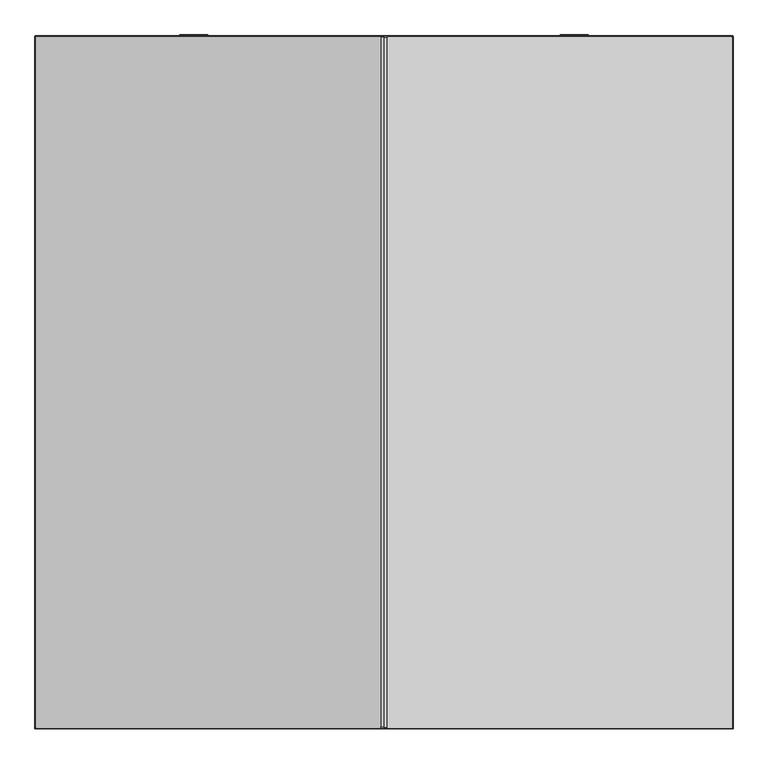
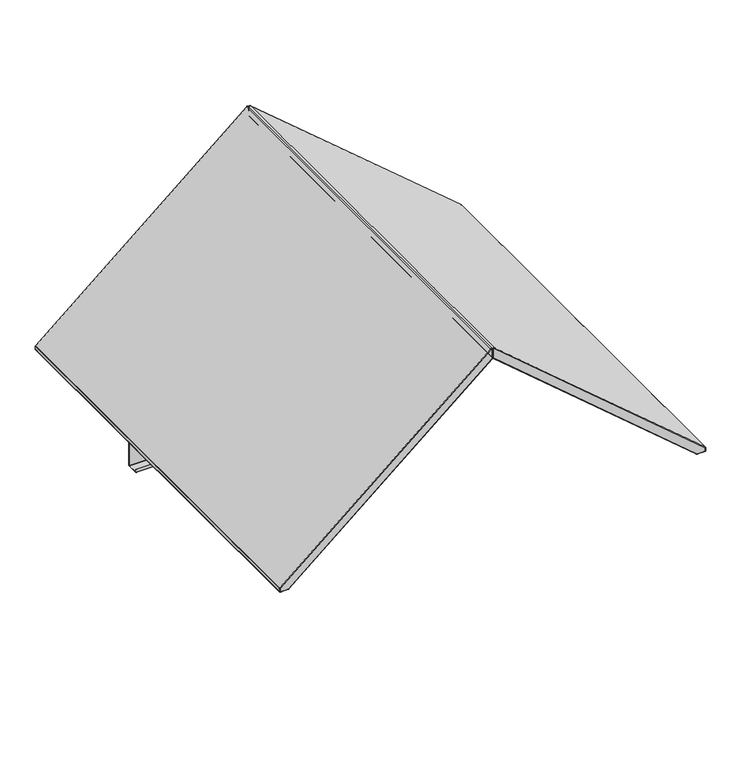
"""IFC4 building model written with IfcOpenShell, lengths in millimetres: furniture geometry."""

from ifc_helpers import new_model, si_unit, point, frame, frame_2d, origin, place, context, project, spatial, polyline, circle_curve, ellipse_curve, trimmed, segment, composite_curve, outline, extrude, source, transform, mapped, element, save
from ifc_brep_helpers import plane_surface, cylinder_surface, revolved_surface, advanced_brep


def furniture_bb8902bb(model_context):
    return source(origin(), model_context, "Body", "SolidModel", [
        extrude(outline(composite_curve([segment(polyline([(-36.4707599, 0.0), (3.678289, 0.0), (3.678289, -1.4997449), (-37.4999996, -1.4997449), (-37.4999996, -40.0002693), (-38.9999996, -40.0002693), (-38.9999996, -2.5292398)]), True, "CONTINUOUS"), segment(trimmed(circle_curve(frame_2d((-36.4707599, -2.5292398)), 2.5292397), [point((-38.9999996, -2.5292398))], [point((-36.4707599, 0.0))], False, "CARTESIAN"), True, "CONTINUOUS")], self_intersect=False)), frame((1490.9670326, -38.9999996, 1663.236993), z_axis=(-0.7626676388941575, 0.0, 0.6467905940747832), x_axis=(0.0, -1.0, 0.0)), (0.0, 0.0, 1.0), 65.5591678),
        advanced_brep(
        [(1490.0000404, -95.6782875, 821.5000019), (1490.0000404, -95.6782875, 809.0011499), (1490.0000404, -93.177183, 806.5000454), (1490.0000404, -45.1482143, 806.5000454), (1490.0000404, -42.6782886, 808.9699711), (1490.0000404, -42.6782886, 1662.0972421), (1490.0000404, -44.178285, 1662.0972421), (1490.0000404, -44.178285, 808.9990848), (1490.0000404, -45.1791015, 808.0000265), (1490.0000404, -93.2107923, 808.0000265), (1490.0000404, -94.1782792, 808.9675133), (1490.0000404, -94.1782792, 821.5000019), (390.000335, -95.6782875, 821.5000019), (390.000335, -94.1782792, 821.5000019), (390.000335, -94.1782792, 808.9675133), (390.000335, -93.2107923, 808.0000265), (390.000335, -45.1791015, 808.0000265), (390.000335, -44.178285, 808.9990848), (390.000335, -44.178285, 1662.0972421), (390.000335, -42.6782886, 1662.0972421), (390.000335, -42.6782886, 808.9699711), (390.000335, -45.1482143, 806.5000454), (390.000335, -93.177183, 806.5000454), (390.000335, -95.6782875, 809.0011499), (442.8367114, -42.6782886, 1706.4322261), (1437.163664, -42.6782886, 1706.4322261), (1437.163664, -44.178285, 1706.4322261), (442.8367114, -44.178285, 1706.4322261)],
        [
            (0, 1),
            (1, 2, circle_curve(frame((1490.0000404, -93.177183, 809.0011499), z_axis=(1.0, 0.0, 0.0), x_axis=(0.0, -1.0, 0.0)), 2.5011045)),
            (2, 3),
            (3, 4, circle_curve(frame((1490.0000404, -45.1482143, 808.9699711), z_axis=(1.0, 0.0, 0.0), x_axis=(0.0, -1.0, 0.0)), 2.4699257)),
            (4, 5),
            (5, 6),
            (6, 7),
            (7, 8, circle_curve(frame((1490.0000404, -45.1791015, 809.0008445), z_axis=(-1.0, 0.0, 0.0), x_axis=(0.0, -1.0, 0.0)), 1.000818)),
            (8, 9),
            (9, 10, circle_curve(frame((1490.0000404, -93.2107923, 808.9675133), z_axis=(-1.0, 0.0, 0.0), x_axis=(0.0, -1.0, 0.0)), 0.9674868)),
            (10, 11),
            (11, 0),
            (12, 13),
            (13, 14),
            (14, 15, circle_curve(frame((390.000335, -93.2107923, 808.9675133), z_axis=(1.0, 0.0, 0.0), x_axis=(0.0, -1.0, 0.0)), 0.9674868)),
            (15, 16),
            (16, 17, circle_curve(frame((390.000335, -45.1791015, 809.0008445), z_axis=(1.0, 0.0, 0.0), x_axis=(0.0, -1.0, 0.0)), 1.000818)),
            (17, 18),
            (18, 19),
            (19, 20),
            (20, 21, circle_curve(frame((390.000335, -45.1482143, 808.9699711), z_axis=(-1.0, 0.0, 0.0), x_axis=(0.0, -1.0, 0.0)), 2.4699257)),
            (21, 22),
            (22, 23, circle_curve(frame((390.000335, -93.177183, 809.0011499), z_axis=(-1.0, 0.0, 0.0), x_axis=(0.0, -1.0, 0.0)), 2.5011045)),
            (23, 12),
            (0, 12),
            (23, 1),
            (22, 2),
            (21, 3),
            (20, 4),
            (19, 24),
            (24, 25),
            (25, 5),
            (6, 26),
            (26, 27),
            (27, 18),
            (17, 7),
            (16, 8),
            (15, 9),
            (14, 10),
            (13, 11),
            (25, 26),
            (24, 27),
        ],
        [
            plane_surface(frame((1490.0000404, -95.6782875, 821.5000019), z_axis=(1.0, 0.0, 0.0), x_axis=(0.0, 0.0, -1.0))),
            plane_surface(frame((390.000335, -95.6782875, 821.5000019), z_axis=(-1.0, 0.0, 0.0), x_axis=(0.0, 0.0, 1.0))),
            plane_surface(frame((1490.0000404, -95.6782875, 821.5000019), z_axis=(0.0, -1.0, 0.0), x_axis=(-1.0, 0.0, 0.0))),
            cylinder_surface(frame((390.000335, -93.177183, 809.0011499), z_axis=(1.0, 0.0, 0.0), x_axis=(0.0, -1.0, 0.0)), 2.5011045),
            plane_surface(frame((1490.0000404, -93.177183, 806.5000454), z_axis=(0.0, 0.0, -1.0), x_axis=(-1.0, 0.0, 0.0))),
            cylinder_surface(frame((390.000335, -45.1482143, 808.9699711), z_axis=(1.0, 0.0, 0.0), x_axis=(0.0, -1.0, 0.0)), 2.4699257),
            plane_surface(frame((1490.0000404, -42.6782886, 808.9699711), z_axis=(0.0, 1.0, 0.0), x_axis=(-1.0, 0.0, 0.0))),
            plane_surface(frame((1490.0000404, -44.178285, 1582.3692085), z_axis=(0.0, -1.0, 0.0), x_axis=(-1.0, 0.0, 0.0))),
            revolved_surface(polyline([(390.000335, -46.179919500000004, 809.0008445), (1490.0000404, -46.179919500000004, 809.0008445)]), (390.000335, -45.1791015, 809.0008445), (-1.0, 0.0, 0.0)),
            plane_surface(frame((1490.0000404, -45.1791015, 808.0000265), z_axis=(0.0, 0.0, 1.0), x_axis=(-1.0, 0.0, 0.0))),
            revolved_surface(polyline([(390.000335, -94.1782791, 808.9675133), (1490.0000404, -94.1782791, 808.9675133)]), (390.000335, -93.2107923, 808.9675133), (-1.0, 0.0, 0.0)),
            plane_surface(frame((1490.0000404, -94.1782792, 808.9675133), z_axis=(0.0, 1.0, 0.0), x_axis=(-1.0, 0.0, 0.0))),
            plane_surface(frame((1490.0000404, -94.1782792, 821.5000019), z_axis=(0.0, 0.0, 1.0), x_axis=(-1.0, 0.0, 0.0))),
            plane_surface(frame((1490.0000404, -44.178285, 1662.0972421), z_axis=(0.6427876096865427, 0.0, 0.7660444431189752), x_axis=(0.0, 1.0, 0.0))),
            plane_surface(frame((1437.163664, -44.178285, 1706.4322261), z_axis=(0.0, 0.0, 1.0), x_axis=(0.0, 1.0, 0.0))),
            plane_surface(frame((442.8367114, -44.178285, 1706.4322261), z_axis=(-0.642787609686538, 0.0, 0.7660444431189791), x_axis=(0.0, 1.0, 0.0))),
        ],
        [
            (0, [[1, 2, 3, 4, 5, 6, 7, 8, 9, 10, 11, 12]]),
            (1, [[13, 14, 15, 16, 17, 18, 19, 20, 21, 22, 23, 24]]),
            (2, [[-1, 25, -24, 26]]),
            (3, [[-2, -26, -23, 27]]),
            (4, [[-3, -27, -22, 28]]),
            (5, [[-4, -28, -21, 29]]),
            (6, [[-5, -29, -20, 30, 31, 32]]),
            (7, [[-7, 33, 34, 35, -18, 36]]),
            (8, [[-8, -36, -17, 37]]),
            (9, [[-9, -37, -16, 38]]),
            (10, [[-10, -38, -15, 39]]),
            (11, [[-11, -39, -14, 40]]),
            (12, [[-12, -40, -13, -25]]),
            (13, [[-33, -6, -32, 41]]),
            (14, [[-34, -41, -31, 42]]),
            (15, [[-35, -42, -30, -19]]),
        ],
    ),
        extrude(outline(composite_curve([segment(trimmed(circle_curve(frame_2d((-1e-07, -2.5292397)), 2.5292397), [point((-0.8879249, -4.8974971))], [point((-2.3682574, -1.6413149))], False, "CARTESIAN"), True, "CONTINUOUS"), segment(polyline([(-2.3682574, -1.6413149), (10.7864699, 33.4447394), (12.1909971, 32.9181435), (-1.3251487, -3.1318798), (37.2322031, -17.5880921), (36.7056967, -18.9923805), (-0.8879249, -4.8974971)]), True, "CONTINUOUS")], self_intersect=False)), frame((392.2009979, -1.6413149, 1659.5018304), z_axis=(0.7626676388941576, 0.0, 0.6467905940747832), x_axis=(0.22706485489941639, -0.9363514881670969, -0.26774510691471115)), (0.0, 0.0, 1.0), 65.5591678),
        advanced_brep(
        [(1876.9546715, -2.2152498, 1478.4500314), (1877.9745516, -2.2152498, 1476.2476814), (1877.9745516, -2.2152498, 1463.9687321), (1876.0316254, -2.2152498, 1462.0258058), (1842.2267924, -2.2152498, 1462.0258058), (1839.6136683, -2.2152498, 1462.9847503), (943.2808232, -2.2152498, 2223.2240894), (942.026163, -2.2152498, 2225.9334278), (942.026163, -2.2152498, 2264.8850275), (947.0138488, -2.2152498, 2267.1947612), (1880.0003754, -4.2410736, 1476.2476814), (1878.2650479, -4.2410736, 1479.994983), (1878.2650479, -6.1839998, 1479.994983), (1880.0003754, -6.1839998, 1476.2476814), (1880.0003754, -1866.18391, 1476.2476814), (1880.0003754, -1868.1268362, 1476.2476814), (1880.0003754, -1868.1268362, 1463.9687321), (1880.0003754, -1866.18391, 1463.9687321), (1880.0003754, -6.1839998, 1463.9687321), (1880.0003754, -4.2410736, 1463.9687321), (1876.0316254, -6.1839998, 1459.9999821), (1876.0316254, -4.2410736, 1459.9999821), (1876.0316254, -1866.18391, 1459.9999821), (1876.0316254, -1868.1268362, 1459.9999821), (1842.2267924, -1868.1268362, 1459.9999821), (1842.2267924, -1866.18391, 1459.9999821), (1842.2267924, -6.1839998, 1459.9999821), (1842.2267924, -4.2410736, 1459.9999821), (1838.3032921, -6.1839998, 1461.4397984), (1838.3032921, -4.2410736, 1461.4397984), (1838.3032921, -1866.18391, 1461.4397984), (1838.3032921, -1868.1268362, 1461.4397984), (941.970447, -1868.1268362, 2221.6791375), (941.970447, -1866.18391, 2221.6791375), (941.970447, -6.1839998, 2221.6791375), (941.970447, -4.2410736, 2221.6791375), (940.0003392, -6.1839998, 2225.9334278), (940.0003392, -4.2410736, 2225.9334278), (940.0003392, -1866.18391, 2225.9334278), (940.0003392, -1868.1268362, 2225.9334278), (940.0003392, -1868.1268362, 2264.8850275), (940.0003392, -1866.18391, 2264.8850275), (940.0003392, -6.1839998, 2264.8850275), (940.0003392, -4.2410736, 2264.8850275), (948.3242252, -6.1839998, 2268.7397128), (948.3242252, -4.2410736, 2268.7397128), (948.3242252, -1866.18391, 2268.7397128), (948.3242252, -1868.1268362, 2268.7397128), (1878.2650479, -1868.1268362, 1479.994983), (1878.2650479, -1866.18391, 1479.994983), (1876.9546715, -1870.15266, 1478.4500314), (1877.9745516, -1870.15266, 1476.2476814), (1877.9745516, -1870.15266, 1463.9687321), (1876.0316254, -1870.15266, 1462.0258058), (1842.2267924, -1870.15266, 1462.0258058), (1839.6136683, -1870.15266, 1462.9847503), (943.2808232, -1870.15266, 2223.2240894), (942.026163, -1870.15266, 2225.9334278), (942.026163, -1870.15266, 2264.8850275), (947.0138488, -1870.15266, 2267.1947612)],
        [
            (0, 1, circle_curve(frame((1875.0867119, -2.2152498, 1476.2476814), z_axis=(0.0, 1.0, 0.0), x_axis=(0.6468363156287517, 0.0, 0.7626288617563736)), 2.8878397)),
            (1, 2),
            (2, 3, circle_curve(frame((1876.0316254, -2.2152498, 1463.9687321), z_axis=(0.0, 1.0, 0.0), x_axis=(1.0, 0.0, 0.0)), 1.9429262)),
            (3, 4),
            (4, 5, circle_curve(frame((1842.2267924, -2.2152498, 1466.0656603), z_axis=(0.0, 1.0, 0.0), x_axis=(0.0, 0.0, -1.0)), 4.0398545)),
            (5, 6),
            (6, 7, circle_curve(frame((945.5787928, -2.2152498, 2225.9334278), z_axis=(0.0, 1.0, 0.0), x_axis=(-0.6468362032030742, 0.0, -0.762628957112062)), 3.5526298)),
            (7, 8),
            (8, 9, circle_curve(frame((945.05481, -2.2152498, 2264.8850275), z_axis=(0.0, 1.0, 0.0), x_axis=(-1.0, 0.0, 0.0)), 3.028647)),
            (9, 0),
            (10, 11, circle_curve(frame((1875.0867119, -4.2410736, 1476.2476814), z_axis=(0.0, -1.0, 0.0), x_axis=(0.6468363156287517, 0.0, 0.7626288617563736)), 4.9136635)),
            (11, 12),
            (12, 13, circle_curve(frame((1875.0867119, -6.1839998, 1476.2476814), z_axis=(0.0, 1.0, 0.0), x_axis=(0.6468363156287517, 0.0, 0.7626288617563736)), 4.9136635)),
            (13, 10),
            (10, 1, circle_curve(frame((1877.9745516, -4.2410736, 1476.2476814), z_axis=(0.0, 0.0, 1.0), x_axis=(-1.0, 0.0, 0.0)), 2.0258238)),
            (0, 11, circle_curve(frame((1876.9546715, -4.2410736, 1478.4500314), z_axis=(0.7626288617563735, 0.0, -0.6468363156287518), x_axis=(-0.6468363156287518, 0.0, -0.7626288617563735)), 2.0258238)),
            (13, 14),
            (14, 15),
            (15, 16),
            (16, 17),
            (17, 18),
            (18, 19),
            (19, 10),
            (19, 2, circle_curve(frame((1877.9745516, -4.2410736, 1463.9687321), z_axis=(0.0, 0.0, 1.0), x_axis=(-1.0, 0.0, 0.0)), 2.0258238)),
            (18, 20, circle_curve(frame((1876.0316254, -6.1839998, 1463.9687321), z_axis=(0.0, 1.0, 0.0), x_axis=(1.0, 0.0, 0.0)), 3.96875)),
            (20, 21),
            (21, 19, circle_curve(frame((1876.0316254, -4.2410736, 1463.9687321), z_axis=(0.0, -1.0, 0.0), x_axis=(1.0, 0.0, 0.0)), 3.96875)),
            (21, 3, circle_curve(frame((1876.0316254, -4.2410736, 1462.0258058), z_axis=(1.0, 0.0, 0.0), x_axis=(0.0, 0.0, 1.0)), 2.0258238)),
            (20, 22),
            (22, 23),
            (23, 24),
            (24, 25),
            (25, 26),
            (26, 27),
            (27, 21),
            (27, 4, circle_curve(frame((1842.2267924, -4.2410736, 1462.0258058), z_axis=(1.0, 0.0, 0.0), x_axis=(0.0, 0.0, 1.0)), 2.0258238)),
            (26, 28, circle_curve(frame((1842.2267924, -6.1839998, 1466.0656603), z_axis=(0.0, 1.0, 0.0), x_axis=(0.0, 0.0, -1.0)), 6.0656783)),
            (28, 29),
            (29, 27, circle_curve(frame((1842.2267924, -4.2410736, 1466.0656603), z_axis=(0.0, -1.0, 0.0), x_axis=(0.0, 0.0, -1.0)), 6.0656783)),
            (29, 5, circle_curve(frame((1839.6136683, -4.2410736, 1462.9847503), z_axis=(0.7626289571120105, 0.0, -0.6468362032031348), x_axis=(0.6468362032031348, 0.0, 0.7626289571120105)), 2.0258238)),
            (28, 30),
            (30, 31),
            (31, 32),
            (32, 33),
            (33, 34),
            (34, 35),
            (35, 29),
            (35, 6, circle_curve(frame((943.2808232, -4.2410736, 2223.2240894), z_axis=(0.7626289571120237, 0.0, -0.6468362032031195), x_axis=(0.6468362032031195, 0.0, 0.7626289571120237)), 2.0258238)),
            (34, 36, circle_curve(frame((945.5787928, -6.1839998, 2225.9334278), z_axis=(0.0, 1.0, 0.0), x_axis=(-0.6468362032030742, 0.0, -0.762628957112062)), 5.5784536)),
            (36, 37),
            (37, 35, circle_curve(frame((945.5787928, -4.2410736, 2225.9334278), z_axis=(0.0, -1.0, 0.0), x_axis=(-0.6468362032030742, 0.0, -0.762628957112062)), 5.5784536)),
            (37, 7, circle_curve(frame((942.026163, -4.2410736, 2225.9334278), z_axis=(0.0, 0.0, -1.0), x_axis=(1.0, 0.0, 0.0)), 2.0258238)),
            (36, 38),
            (38, 39),
            (39, 40),
            (40, 41),
            (41, 42),
            (42, 43),
            (43, 37),
            (43, 8, circle_curve(frame((942.026163, -4.2410736, 2264.8850275), z_axis=(0.0, 0.0, -1.0), x_axis=(1.0, 0.0, 0.0)), 2.0258238)),
            (42, 44, circle_curve(frame((945.05481, -6.1839998, 2264.8850275), z_axis=(0.0, 1.0, 0.0), x_axis=(-1.0, 0.0, 0.0)), 5.0544708)),
            (44, 45),
            (45, 43, circle_curve(frame((945.05481, -4.2410736, 2264.8850275), z_axis=(0.0, -1.0, 0.0), x_axis=(-1.0, 0.0, 0.0)), 5.0544708)),
            (45, 9, circle_curve(frame((947.0138488, -4.2410736, 2267.1947612), z_axis=(-0.762628861756393, 0.0, 0.6468363156287287), x_axis=(-0.6468363156287287, 0.0, -0.762628861756393)), 2.0258238)),
            (11, 45),
            (44, 46),
            (46, 47),
            (47, 48),
            (48, 49),
            (49, 12),
            (17, 22, circle_curve(frame((1876.0316254, -1866.18391, 1463.9687321), z_axis=(0.0, 1.0, 0.0), x_axis=(-1.0, 0.0, 0.0)), 3.96875)),
            (25, 30, circle_curve(frame((1842.2267924, -1866.18391, 1466.0656603), z_axis=(0.0, 1.0, 0.0), x_axis=(-1.0, 0.0, 0.0)), 6.0656783)),
            (33, 38, circle_curve(frame((945.5787928, -1866.18391, 2225.9334278), z_axis=(0.0, 1.0, 0.0), x_axis=(-1.0, 0.0, 0.0)), 5.5784536)),
            (41, 46, circle_curve(frame((945.05481, -1866.18391, 2264.8850275), z_axis=(0.0, 1.0, 0.0), x_axis=(-1.0, 0.0, 0.0)), 5.0544708)),
            (49, 14, circle_curve(frame((1875.0867119, -1866.18391, 1476.2476814), z_axis=(0.0, 1.0, 0.0), x_axis=(-1.0, 0.0, 0.0)), 4.9136635)),
            (48, 15, circle_curve(frame((1875.0867119, -1868.1268362, 1476.2476814), z_axis=(0.0, 1.0, 0.0), x_axis=(0.6468363156287517, 0.0, 0.7626288617563736)), 4.9136635)),
            (48, 50, circle_curve(frame((1876.9546715, -1868.1268362, 1478.4500314), z_axis=(0.7626288617563735, 0.0, -0.6468363156287518), x_axis=(-0.6468363156287518, 0.0, -0.7626288617563735)), 2.0258238)),
            (50, 51, circle_curve(frame((1875.0867119, -1870.15266, 1476.2476814), z_axis=(0.0, 1.0, 0.0), x_axis=(0.6468363156287517, 0.0, 0.7626288617563736)), 2.8878397)),
            (51, 15, circle_curve(frame((1877.9745516, -1868.1268362, 1476.2476814), z_axis=(0.0, 0.0, 1.0), x_axis=(-1.0, 0.0, 0.0)), 2.0258238)),
            (51, 52),
            (52, 16, circle_curve(frame((1877.9745516, -1868.1268362, 1463.9687321), z_axis=(0.0, 0.0, 1.0), x_axis=(-1.0, 0.0, 0.0)), 2.0258238)),
            (16, 23, circle_curve(frame((1876.0316254, -1868.1268362, 1463.9687321), z_axis=(0.0, 1.0, 0.0), x_axis=(1.0, 0.0, 0.0)), 3.96875)),
            (52, 53, circle_curve(frame((1876.0316254, -1870.15266, 1463.9687321), z_axis=(0.0, 1.0, 0.0), x_axis=(1.0, 0.0, 0.0)), 1.9429262)),
            (53, 23, circle_curve(frame((1876.0316254, -1868.1268362, 1462.0258058), z_axis=(1.0, 0.0, 0.0), x_axis=(0.0, 0.0, 1.0)), 2.0258238)),
            (53, 54),
            (54, 24, circle_curve(frame((1842.2267924, -1868.1268362, 1462.0258058), z_axis=(1.0, 0.0, 0.0), x_axis=(0.0, 0.0, 1.0)), 2.0258238)),
            (24, 31, circle_curve(frame((1842.2267924, -1868.1268362, 1466.0656603), z_axis=(0.0, 1.0, 0.0), x_axis=(0.0, 0.0, -1.0)), 6.0656783)),
            (54, 55, circle_curve(frame((1842.2267924, -1870.15266, 1466.0656603), z_axis=(0.0, 1.0, 0.0), x_axis=(0.0, 0.0, -1.0)), 4.0398545)),
            (55, 31, circle_curve(frame((1839.6136683, -1868.1268362, 1462.9847503), z_axis=(0.7626289571119792, 0.0, -0.6468362032031717), x_axis=(0.6468362032031717, 0.0, 0.7626289571119792)), 2.0258238)),
            (55, 56),
            (56, 32, circle_curve(frame((943.2808232, -1868.1268362, 2223.2240894), z_axis=(0.7626289571120237, 0.0, -0.6468362032031195), x_axis=(0.6468362032031195, 0.0, 0.7626289571120237)), 2.0258238)),
            (32, 39, circle_curve(frame((945.5787928, -1868.1268362, 2225.9334278), z_axis=(0.0, 1.0, 0.0), x_axis=(-0.6468362032030742, 0.0, -0.762628957112062)), 5.5784536)),
            (56, 57, circle_curve(frame((945.5787928, -1870.15266, 2225.9334278), z_axis=(0.0, 1.0, 0.0), x_axis=(-0.6468362032030742, 0.0, -0.762628957112062)), 3.5526298)),
            (57, 39, circle_curve(frame((942.026163, -1868.1268362, 2225.9334278), z_axis=(0.0, 0.0, -1.0), x_axis=(1.0, 0.0, 0.0)), 2.0258238)),
            (57, 58),
            (58, 40, circle_curve(frame((942.026163, -1868.1268362, 2264.8850275), z_axis=(0.0, 0.0, -1.0), x_axis=(1.0, 0.0, 0.0)), 2.0258238)),
            (40, 47, circle_curve(frame((945.05481, -1868.1268362, 2264.8850275), z_axis=(0.0, 1.0, 0.0), x_axis=(-1.0, 0.0, 0.0)), 5.0544708)),
            (58, 59, circle_curve(frame((945.05481, -1870.15266, 2264.8850275), z_axis=(0.0, 1.0, 0.0), x_axis=(-1.0, 0.0, 0.0)), 3.028647)),
            (59, 47, circle_curve(frame((947.0138488, -1868.1268362, 2267.1947612), z_axis=(-0.762628861756381, 0.0, 0.6468363156287429), x_axis=(-0.6468363156287429, 0.0, -0.762628861756381)), 2.0258238)),
            (59, 50),
        ],
        [
            plane_surface(frame((944.152703, -2.2152498, 2224.2520479), z_axis=(0.0, 1.0, 0.0), x_axis=(-0.7626289571120299, 0.0, 0.6468362032031121))),
            cylinder_surface(frame((1875.0867119, -6.1839998, 1476.2476814), z_axis=(0.0, 1.0, 0.0), x_axis=(0.6468363156287517, 0.0, 0.7626288617563736)), 4.9136635),
            revolved_surface(trimmed(ellipse_curve(frame((1876.9546715, -4.2410736, 1478.4500314), z_axis=(-0.7626288617563735, 0.0, 0.6468363156287518), x_axis=(-0.6468363156287518, 0.0, -0.7626288617563735)), 2.0258238, 2.0258238), [point((1878.2650479, -4.2410736, 1479.994983))], [point((1876.9546715, -2.2152498, 1478.4500314))], True, "CARTESIAN"), (1875.0867119, -6.1839998, 1476.2476814), (0.0, 1.0, 0.0)),
            plane_surface(frame((1880.0003754, -6.1839998, 1476.2476814), z_axis=(1.0, 0.0, 0.0), x_axis=(0.0, 0.0, -1.0))),
            cylinder_surface(frame((1877.9745516, -4.2410736, 1476.2476814), z_axis=(0.0, 0.0, 1.0), x_axis=(-1.0, 0.0, 0.0)), 2.0258238),
            cylinder_surface(frame((1876.0316254, -6.1839998, 1463.9687321), z_axis=(0.0, 1.0, 0.0), x_axis=(1.0, 0.0, 0.0)), 3.96875),
            revolved_surface(trimmed(ellipse_curve(frame((1877.9745516, -4.2410736, 1463.9687321), z_axis=(0.0, 0.0, 1.0), x_axis=(-1.0, 0.0, 0.0)), 2.0258238, 2.0258238), [point((1880.0003754, -4.2410736, 1463.9687321))], [point((1877.9745516, -2.2152498, 1463.9687321))], True, "CARTESIAN"), (1876.0316254, -6.1839998, 1463.9687321), (0.0, 1.0, 0.0)),
            plane_surface(frame((1876.0316254, -6.1839998, 1459.9999821), z_axis=(0.0, 0.0, -1.0), x_axis=(-1.0, 0.0, 0.0))),
            cylinder_surface(frame((1876.0316254, -4.2410736, 1462.0258058), z_axis=(1.0, 0.0, 0.0), x_axis=(0.0, 0.0, 1.0)), 2.0258238),
            cylinder_surface(frame((1842.2267924, -6.1839998, 1466.0656603), z_axis=(0.0, 1.0, 0.0), x_axis=(0.0, 0.0, -1.0)), 6.0656783),
            revolved_surface(trimmed(ellipse_curve(frame((1842.2267924, -4.2410736, 1462.0258058), z_axis=(1.0, 0.0, 0.0), x_axis=(0.0, 0.0, 1.0)), 2.0258238, 2.0258238), [point((1842.2267924, -4.2410736, 1459.9999821))], [point((1842.2267924, -2.2152498, 1462.0258058))], True, "CARTESIAN"), (1842.2267924, -6.1839998, 1466.0656603), (0.0, 1.0, 0.0)),
            plane_surface(frame((1838.3032921, -6.1839998, 1461.4397984), z_axis=(-0.6468362032031193, 0.0, -0.7626289571120237), x_axis=(-0.7626289571120237, 0.0, 0.6468362032031193))),
            cylinder_surface(frame((1839.6136683, -4.2410736, 1462.9847503), z_axis=(0.7626289571120237, 0.0, -0.6468362032031195), x_axis=(0.6468362032031195, 0.0, 0.7626289571120237)), 2.0258238),
            cylinder_surface(frame((945.5787928, -6.1839998, 2225.9334278), z_axis=(0.0, 1.0, 0.0), x_axis=(-0.6468362032030742, 0.0, -0.762628957112062)), 5.5784536),
            revolved_surface(trimmed(ellipse_curve(frame((943.2808232, -4.2410736, 2223.2240894), z_axis=(0.7626289571120619, 0.0, -0.6468362032030743), x_axis=(0.6468362032030743, 0.0, 0.7626289571120619)), 2.0258238, 2.0258238), [point((941.970447, -4.2410736, 2221.6791375))], [point((943.2808232, -2.2152498, 2223.2240894))], True, "CARTESIAN"), (945.5787928, -6.1839998, 2225.9334278), (0.0, 1.0, 0.0)),
            plane_surface(frame((940.0003392, -6.1839998, 2225.9334278), z_axis=(-1.0, 0.0, 0.0), x_axis=(0.0, 0.0, 1.0))),
            cylinder_surface(frame((942.026163, -4.2410736, 2225.9334278), z_axis=(0.0, 0.0, -1.0), x_axis=(1.0, 0.0, 0.0)), 2.0258238),
            cylinder_surface(frame((945.05481, -6.1839998, 2264.8850275), z_axis=(0.0, 1.0, 0.0), x_axis=(-1.0, 0.0, 0.0)), 5.0544708),
            revolved_surface(trimmed(ellipse_curve(frame((942.026163, -4.2410736, 2264.8850275), z_axis=(0.0, 0.0, -1.0), x_axis=(1.0, 0.0, 0.0)), 2.0258238, 2.0258238), [point((940.0003392, -4.2410736, 2264.8850275))], [point((942.026163, -2.2152498, 2264.8850275))], True, "CARTESIAN"), (945.05481, -6.1839998, 2264.8850275), (0.0, 1.0, 0.0)),
            plane_surface(frame((948.3242252, -6.1839998, 2268.7397128), z_axis=(0.6468363156287368, 0.0, 0.7626288617563862), x_axis=(0.7626288617563862, 0.0, -0.6468363156287368))),
            cylinder_surface(frame((947.0138488, -4.2410736, 2267.1947612), z_axis=(-0.762628861756386, 0.0, 0.646836315628737), x_axis=(-0.646836315628737, 0.0, -0.762628861756386)), 2.0258238),
            cylinder_surface(frame((1876.0316254, -6.1839998, 1463.9687321), z_axis=(0.0, -1.0, 0.0), x_axis=(-1.0, 0.0, 0.0)), 3.96875),
            cylinder_surface(frame((1842.2267924, -6.1839998, 1466.0656603), z_axis=(0.0, -1.0, 0.0), x_axis=(-1.0, 0.0, 0.0)), 6.0656783),
            cylinder_surface(frame((945.5787928, -6.1839998, 2225.9334278), z_axis=(0.0, -1.0, 0.0), x_axis=(-1.0, 0.0, 0.0)), 5.5784536),
            cylinder_surface(frame((945.05481, -6.1839998, 2264.8850275), z_axis=(0.0, -1.0, 0.0), x_axis=(-1.0, 0.0, 0.0)), 5.0544708),
            cylinder_surface(frame((1875.0867119, -6.1839998, 1476.2476814), z_axis=(0.0, -1.0, 0.0), x_axis=(-1.0, 0.0, 0.0)), 4.9136635),
            cylinder_surface(frame((1875.0867119, -1866.18391, 1476.2476814), z_axis=(0.0, 1.0, 0.0), x_axis=(0.6468363156287517, 0.0, 0.7626288617563736)), 4.9136635),
            revolved_surface(trimmed(ellipse_curve(frame((1876.9546715, -1868.1268362, 1478.4500314), z_axis=(-0.7626288617563735, 0.0, 0.6468363156287518), x_axis=(-0.6468363156287518, 0.0, -0.7626288617563735)), 2.0258238, 2.0258238), [point((1876.9546715, -1870.15266, 1478.4500314))], [point((1878.2650479, -1868.1268362, 1479.994983))], True, "CARTESIAN"), (1875.0867119, -1866.18391, 1476.2476814), (0.0, 1.0, 0.0)),
            cylinder_surface(frame((1877.9745516, -1868.1268362, 1476.2476814), z_axis=(0.0, 0.0, 1.0), x_axis=(-1.0, 0.0, 0.0)), 2.0258238),
            cylinder_surface(frame((1876.0316254, -1866.18391, 1463.9687321), z_axis=(0.0, 1.0, 0.0), x_axis=(1.0, 0.0, 0.0)), 3.96875),
            revolved_surface(trimmed(ellipse_curve(frame((1877.9745516, -1868.1268362, 1463.9687321), z_axis=(0.0, 0.0, 1.0), x_axis=(-1.0, 0.0, 0.0)), 2.0258238, 2.0258238), [point((1877.9745516, -1870.15266, 1463.9687321))], [point((1880.0003754, -1868.1268362, 1463.9687321))], True, "CARTESIAN"), (1876.0316254, -1866.18391, 1463.9687321), (0.0, 1.0, 0.0)),
            cylinder_surface(frame((1876.0316254, -1868.1268362, 1462.0258058), z_axis=(1.0, 0.0, 0.0), x_axis=(0.0, 0.0, 1.0)), 2.0258238),
            cylinder_surface(frame((1842.2267924, -1866.18391, 1466.0656603), z_axis=(0.0, 1.0, 0.0), x_axis=(0.0, 0.0, -1.0)), 6.0656783),
            revolved_surface(trimmed(ellipse_curve(frame((1842.2267924, -1868.1268362, 1462.0258058), z_axis=(1.0, 0.0, 0.0), x_axis=(0.0, 0.0, 1.0)), 2.0258238, 2.0258238), [point((1842.2267924, -1870.15266, 1462.0258058))], [point((1842.2267924, -1868.1268362, 1459.9999821))], True, "CARTESIAN"), (1842.2267924, -1866.18391, 1466.0656603), (0.0, 1.0, 0.0)),
            cylinder_surface(frame((1839.6136683, -1868.1268362, 1462.9847503), z_axis=(0.7626289571120237, 0.0, -0.6468362032031195), x_axis=(0.6468362032031195, 0.0, 0.7626289571120237)), 2.0258238),
            cylinder_surface(frame((945.5787928, -1866.18391, 2225.9334278), z_axis=(0.0, 1.0, 0.0), x_axis=(-0.6468362032030742, 0.0, -0.762628957112062)), 5.5784536),
            revolved_surface(trimmed(ellipse_curve(frame((943.2808232, -1868.1268362, 2223.2240894), z_axis=(0.7626289571120619, 0.0, -0.6468362032030743), x_axis=(0.6468362032030743, 0.0, 0.7626289571120619)), 2.0258238, 2.0258238), [point((943.2808232, -1870.15266, 2223.2240894))], [point((941.970447, -1868.1268362, 2221.6791375))], True, "CARTESIAN"), (945.5787928, -1866.18391, 2225.9334278), (0.0, 1.0, 0.0)),
            cylinder_surface(frame((942.026163, -1868.1268362, 2225.9334278), z_axis=(0.0, 0.0, -1.0), x_axis=(1.0, 0.0, 0.0)), 2.0258238),
            cylinder_surface(frame((945.05481, -1866.18391, 2264.8850275), z_axis=(0.0, 1.0, 0.0), x_axis=(-1.0, 0.0, 0.0)), 5.0544708),
            revolved_surface(trimmed(ellipse_curve(frame((942.026163, -1868.1268362, 2264.8850275), z_axis=(0.0, 0.0, -1.0), x_axis=(1.0, 0.0, 0.0)), 2.0258238, 2.0258238), [point((942.026163, -1870.15266, 2264.8850275))], [point((940.0003392, -1868.1268362, 2264.8850275))], True, "CARTESIAN"), (945.05481, -1866.18391, 2264.8850275), (0.0, 1.0, 0.0)),
            cylinder_surface(frame((947.0138488, -1868.1268362, 2267.1947612), z_axis=(-0.762628861756386, 0.0, 0.646836315628737), x_axis=(-0.646836315628737, 0.0, -0.762628861756386)), 2.0258238),
            plane_surface(frame((946.1419689, -1870.15266, 2266.1668028), z_axis=(0.0, -1.0, 0.0), x_axis=(0.7626288617563862, 0.0, -0.6468363156287368))),
        ],
        [
            (0, [[1, 2, 3, 4, 5, 6, 7, 8, 9, 10]]),
            (1, [[11, 12, 13, 14]]),
            (2, [[-11, 15, -1, 16]]),
            (3, [[-14, 17, 18, 19, 20, 21, 22, 23]]),
            (4, [[-15, -23, 24, -2]]),
            (5, [[-22, 25, 26, 27]]),
            (6, [[-24, -27, 28, -3]]),
            (7, [[-26, 29, 30, 31, 32, 33, 34, 35]]),
            (8, [[-28, -35, 36, -4]]),
            (9, [[-34, 37, 38, 39]]),
            (10, [[-36, -39, 40, -5]]),
            (11, [[-38, 41, 42, 43, 44, 45, 46, 47]]),
            (12, [[-40, -47, 48, -6]]),
            (13, [[-46, 49, 50, 51]]),
            (14, [[-48, -51, 52, -7]]),
            (15, [[-50, 53, 54, 55, 56, 57, 58, 59]]),
            (16, [[-52, -59, 60, -8]]),
            (17, [[-58, 61, 62, 63]]),
            (18, [[-60, -63, 64, -9]]),
            (19, [[-12, 65, -62, 66, 67, 68, 69, 70]]),
            (20, [[-16, -10, -64, -65]]),
            (21, [[-29, -25, -21, 71]]),
            (22, [[-33, 72, -41, -37]]),
            (23, [[-45, 73, -53, -49]]),
            (24, [[-57, 74, -66, -61]]),
            (25, [[-70, 75, -17, -13]]),
            (26, [[-69, 76, -18, -75]]),
            (27, [[-76, 77, 78, 79]]),
            (28, [[-79, 80, 81, -19]]),
            (29, [[-20, 82, -30, -71]]),
            (30, [[-81, 83, 84, -82]]),
            (31, [[-84, 85, 86, -31]]),
            (32, [[-32, 87, -42, -72]]),
            (33, [[-86, 88, 89, -87]]),
            (34, [[-89, 90, 91, -43]]),
            (35, [[-44, 92, -54, -73]]),
            (36, [[-91, 93, 94, -92]]),
            (37, [[-94, 95, 96, -55]]),
            (38, [[-56, 97, -67, -74]]),
            (39, [[-96, 98, 99, -97]]),
            (40, [[-77, -68, -99, 100]]),
            (41, [[-78, -100, -98, -95, -93, -90, -88, -85, -83, -80]]),
        ],
    ),
        advanced_brep(
        [(0.0, -1868.1268362, 1476.2476814), (1.7353275, -1868.1268362, 1479.994983), (1.7353275, -1866.18391, 1479.994983), (0.0, -1866.18391, 1476.2476814), (2.0258238, -1870.15266, 1476.2476814), (3.0457039, -1870.15266, 1478.4500314), (0.0, -6.1839998, 1476.2476814), (0.0, -4.2410736, 1476.2476814), (0.0, -4.2410736, 1463.9687321), (0.0, -6.1839998, 1463.9687321), (0.0, -1866.18391, 1463.9687321), (0.0, -1868.1268362, 1463.9687321), (2.0258238, -1870.15266, 1463.9687321), (3.96875, -1866.18391, 1459.9999821), (3.96875, -1868.1268362, 1459.9999821), (3.96875, -1870.15266, 1462.0258058), (3.96875, -6.1839998, 1459.9999821), (3.96875, -4.2410736, 1459.9999821), (37.773583, -4.2410736, 1459.9999821), (37.773583, -6.1839998, 1459.9999821), (37.773583, -1866.18391, 1459.9999821), (37.773583, -1868.1268362, 1459.9999821), (37.773583, -1870.15266, 1462.0258058), (41.6970833, -1866.18391, 1461.4397984), (41.6970833, -1868.1268362, 1461.4397984), (40.3867071, -1870.15266, 1462.9847503), (41.6970833, -6.1839998, 1461.4397984), (41.6970833, -4.2410736, 1461.4397984), (938.0299284, -4.2410736, 2221.6791375), (938.0299284, -6.1839998, 2221.6791375), (938.0299284, -1866.18391, 2221.6791375), (938.0299284, -1868.1268362, 2221.6791375), (936.7195522, -1870.15266, 2223.2240894), (940.0000362, -1866.18391, 2225.9334278), (940.0000362, -1868.1268362, 2225.9334278), (937.9742125, -1870.15266, 2225.9334278), (940.0000362, -6.1839998, 2225.9334278), (940.0000362, -4.2410736, 2225.9334278), (940.0000362, -4.2410736, 2264.8850275), (940.0000362, -6.1839998, 2264.8850275), (940.0000362, -1866.18391, 2264.8850275), (940.0000362, -1868.1268362, 2264.8850275), (937.9742125, -1870.15266, 2264.8850275), (931.6761502, -1866.18391, 2268.7397128), (931.6761502, -1868.1268362, 2268.7397128), (932.9865266, -1870.15266, 2267.1947612), (931.6761502, -6.1839998, 2268.7397128), (931.6761502, -4.2410736, 2268.7397128), (1.7353275, -4.2410736, 1479.994983), (1.7353275, -6.1839998, 1479.994983), (2.0258238, -2.2152498, 1476.2476814), (3.0457039, -2.2152498, 1478.4500314), (932.9865266, -2.2152498, 2267.1947612), (937.9742125, -2.2152498, 2264.8850275), (937.9742125, -2.2152498, 2225.9334278), (936.7195522, -2.2152498, 2223.2240894), (40.3867071, -2.2152498, 1462.9847503), (37.773583, -2.2152498, 1462.0258058), (3.96875, -2.2152498, 1462.0258058), (2.0258238, -2.2152498, 1463.9687321)],
        [
            (0, 1, circle_curve(frame((4.9136635, -1868.1268362, 1476.2476814), z_axis=(0.0, 1.0, 0.0), x_axis=(-0.6468363156287652, 0.0, 0.7626288617563621)), 4.9136635)),
            (1, 2),
            (2, 3, circle_curve(frame((4.9136635, -1866.18391, 1476.2476814), z_axis=(0.0, -1.0, 0.0), x_axis=(-0.6468363156287652, 0.0, 0.7626288617563621)), 4.9136635)),
            (3, 0),
            (0, 4, circle_curve(frame((2.0258238, -1868.1268362, 1476.2476814), z_axis=(0.0, 0.0, 1.0), x_axis=(1.0, 0.0, 0.0)), 2.0258238)),
            (4, 5, circle_curve(frame((4.9136635, -1870.15266, 1476.2476814), z_axis=(0.0, 1.0, 0.0), x_axis=(-0.6468363156287652, 0.0, 0.7626288617563621)), 2.8878397)),
            (5, 1, circle_curve(frame((3.0457039, -1868.1268362, 1478.4500314), z_axis=(-0.762628861756362, 0.0, -0.6468363156287653), x_axis=(0.6468363156287653, 0.0, -0.762628861756362)), 2.0258238)),
            (3, 6),
            (6, 7),
            (7, 8),
            (8, 9),
            (9, 10),
            (10, 11),
            (11, 0),
            (11, 12, circle_curve(frame((2.0258238, -1868.1268362, 1463.9687321), z_axis=(0.0, 0.0, 1.0), x_axis=(1.0, 0.0, 0.0)), 2.0258238)),
            (12, 4),
            (10, 13, circle_curve(frame((3.96875, -1866.18391, 1463.9687321), z_axis=(0.0, -1.0, 0.0), x_axis=(-1.0, 0.0, 0.0)), 3.96875)),
            (13, 14),
            (14, 11, circle_curve(frame((3.96875, -1868.1268362, 1463.9687321), z_axis=(0.0, 1.0, 0.0), x_axis=(-1.0, 0.0, 0.0)), 3.96875)),
            (14, 15, circle_curve(frame((3.96875, -1868.1268362, 1462.0258058), z_axis=(-1.0, 0.0, 0.0), x_axis=(0.0, 0.0, 1.0)), 2.0258238)),
            (15, 12, circle_curve(frame((3.96875, -1870.15266, 1463.9687321), z_axis=(0.0, 1.0, 0.0), x_axis=(-1.0, 0.0, 0.0)), 1.9429262)),
            (13, 16),
            (16, 17),
            (17, 18),
            (18, 19),
            (19, 20),
            (20, 21),
            (21, 14),
            (21, 22, circle_curve(frame((37.773583, -1868.1268362, 1462.0258058), z_axis=(-1.0, 0.0, 0.0), x_axis=(0.0, 0.0, 1.0)), 2.0258238)),
            (22, 15),
            (20, 23, circle_curve(frame((37.773583, -1866.18391, 1466.0656603), z_axis=(0.0, -1.0, 0.0), x_axis=(0.0, 0.0, -1.0)), 6.0656783)),
            (23, 24),
            (24, 21, circle_curve(frame((37.773583, -1868.1268362, 1466.0656603), z_axis=(0.0, 1.0, 0.0), x_axis=(0.0, 0.0, -1.0)), 6.0656783)),
            (24, 25, circle_curve(frame((40.3867071, -1868.1268362, 1462.9847503), z_axis=(-0.7626289571119993, 0.0, -0.646836203203148), x_axis=(-0.646836203203148, 0.0, 0.7626289571119993)), 2.0258238)),
            (25, 22, circle_curve(frame((37.773583, -1870.15266, 1466.0656603), z_axis=(0.0, 1.0, 0.0), x_axis=(0.0, 0.0, -1.0)), 4.0398545)),
            (23, 26),
            (26, 27),
            (27, 28),
            (28, 29),
            (29, 30),
            (30, 31),
            (31, 24),
            (31, 32, circle_curve(frame((936.7195522, -1868.1268362, 2223.2240894), z_axis=(-0.7626289571120237, 0.0, -0.6468362032031196), x_axis=(-0.6468362032031195, 0.0, 0.7626289571120235)), 2.0258238)),
            (32, 25),
            (30, 33, circle_curve(frame((934.4215826, -1866.18391, 2225.9334278), z_axis=(0.0, -1.0, 0.0), x_axis=(0.6468362032031121, 0.0, -0.7626289571120298)), 5.5784536)),
            (33, 34),
            (34, 31, circle_curve(frame((934.4215826, -1868.1268362, 2225.9334278), z_axis=(0.0, 1.0, 0.0), x_axis=(0.6468362032031121, 0.0, -0.7626289571120298)), 5.5784536)),
            (34, 35, circle_curve(frame((937.9742125, -1868.1268362, 2225.9334278), z_axis=(0.0, 0.0, -0.9999999999999999), x_axis=(-0.9999999999999999, 0.0, 0.0)), 2.0258238)),
            (35, 32, circle_curve(frame((934.4215826, -1870.15266, 2225.9334278), z_axis=(0.0, 1.0, 0.0), x_axis=(0.6468362032031121, 0.0, -0.7626289571120298)), 3.5526298)),
            (33, 36),
            (36, 37),
            (37, 38),
            (38, 39),
            (39, 40),
            (40, 41),
            (41, 34),
            (41, 42, circle_curve(frame((937.9742125, -1868.1268362, 2264.8850275), z_axis=(0.0, 0.0, -1.0), x_axis=(-1.0, 0.0, 0.0)), 2.0258238)),
            (42, 35),
            (40, 43, circle_curve(frame((934.9455655, -1866.18391, 2264.8850275), z_axis=(0.0, -1.0, 0.0), x_axis=(1.0, 0.0, 0.0)), 5.0544708)),
            (43, 44),
            (44, 41, circle_curve(frame((934.9455655, -1868.1268362, 2264.8850275), z_axis=(0.0, 1.0, 0.0), x_axis=(1.0, 0.0, 0.0)), 5.0544708)),
            (44, 45, circle_curve(frame((932.9865266, -1868.1268362, 2267.1947612), z_axis=(0.7626288617564152, 0.0, 0.6468363156287026), x_axis=(0.6468363156287026, 0.0, -0.7626288617564152)), 2.0258238)),
            (45, 42, circle_curve(frame((934.9455655, -1870.15266, 2264.8850275), z_axis=(0.0, 1.0, 0.0), x_axis=(1.0, 0.0, 0.0)), 3.028647)),
            (1, 44),
            (43, 46),
            (46, 47),
            (47, 48),
            (48, 49),
            (49, 2),
            (5, 45),
            (9, 16, circle_curve(frame((3.96875, -6.1839998, 1463.9687321), z_axis=(0.0, -1.0, 0.0), x_axis=(1.0, 0.0, 0.0)), 3.96875)),
            (19, 26, circle_curve(frame((37.773583, -6.1839998, 1466.0656603), z_axis=(0.0, -1.0, 0.0), x_axis=(1.0, 0.0, 0.0)), 6.0656783)),
            (29, 36, circle_curve(frame((934.4215826, -6.1839998, 2225.9334278), z_axis=(0.0, -1.0, 0.0), x_axis=(1.0, 0.0, 0.0)), 5.5784536)),
            (39, 46, circle_curve(frame((934.9455655, -6.1839998, 2264.8850275), z_axis=(0.0, -1.0, 0.0), x_axis=(1.0, 0.0, 0.0)), 5.0544708)),
            (49, 6, circle_curve(frame((4.9136635, -6.1839998, 1476.2476814), z_axis=(0.0, -1.0, 0.0), x_axis=(1.0, 0.0, 0.0)), 4.9136635)),
            (50, 51, circle_curve(frame((4.9136635, -2.2152498, 1476.2476814), z_axis=(0.0, 1.0, 0.0), x_axis=(-0.6468363156287614, 0.0, 0.7626288617563652)), 2.8878397)),
            (51, 52),
            (52, 53, circle_curve(frame((934.9455655, -2.2152498, 2264.8850275), z_axis=(0.0, 1.0, 0.0), x_axis=(1.0, 0.0, 0.0)), 3.028647)),
            (53, 54),
            (54, 55, circle_curve(frame((934.4215826, -2.2152498, 2225.9334278), z_axis=(0.0, 1.0, 0.0), x_axis=(0.6468362032031121, 0.0, -0.7626289571120298)), 3.5526298)),
            (55, 56),
            (56, 57, circle_curve(frame((37.773583, -2.2152498, 1466.0656603), z_axis=(0.0, 1.0, 0.0), x_axis=(0.0, 0.0, -1.0)), 4.0398545)),
            (57, 58),
            (58, 59, circle_curve(frame((3.96875, -2.2152498, 1463.9687321), z_axis=(0.0, 1.0, 0.0), x_axis=(-1.0, 0.0, 0.0)), 1.9429262)),
            (59, 50),
            (48, 7, circle_curve(frame((4.9136635, -4.2410736, 1476.2476814), z_axis=(0.0, -1.0, 0.0), x_axis=(-0.6468363156287614, 0.0, 0.7626288617563652)), 4.9136635)),
            (48, 51, circle_curve(frame((3.0457039, -4.2410736, 1478.4500314), z_axis=(-0.7626288617563652, 0.0, -0.6468363156287614), x_axis=(0.6468363156287614, 0.0, -0.7626288617563652)), 2.0258238)),
            (50, 7, circle_curve(frame((2.0258238, -4.2410736, 1476.2476814), z_axis=(0.0, 0.0, 1.0), x_axis=(1.0, 0.0, 0.0)), 2.0258238)),
            (59, 8, circle_curve(frame((2.0258238, -4.2410736, 1463.9687321), z_axis=(0.0, 0.0, 1.0), x_axis=(1.0, 0.0, 0.0)), 2.0258238)),
            (8, 17, circle_curve(frame((3.96875, -4.2410736, 1463.9687321), z_axis=(0.0, -1.0, 0.0), x_axis=(-1.0, 0.0, 0.0)), 3.96875)),
            (58, 17, circle_curve(frame((3.96875, -4.2410736, 1462.0258058), z_axis=(-1.0, 0.0, 0.0), x_axis=(0.0, 0.0, 1.0)), 2.0258238)),
            (57, 18, circle_curve(frame((37.773583, -4.2410736, 1462.0258058), z_axis=(-1.0, 0.0, 0.0), x_axis=(0.0, 0.0, 1.0)), 2.0258238)),
            (18, 27, circle_curve(frame((37.773583, -4.2410736, 1466.0656603), z_axis=(0.0, -1.0, 0.0), x_axis=(0.0, 0.0, -1.0)), 6.0656783)),
            (56, 27, circle_curve(frame((40.3867071, -4.2410736, 1462.9847503), z_axis=(-0.7626289571120222, 0.0, -0.6468362032031212), x_axis=(-0.6468362032031212, 0.0, 0.7626289571120222)), 2.0258238)),
            (55, 28, circle_curve(frame((936.7195522, -4.2410736, 2223.2240894), z_axis=(-0.7626289571120238, 0.0, -0.6468362032031193), x_axis=(-0.6468362032031193, 0.0, 0.7626289571120238)), 2.0258238)),
            (28, 37, circle_curve(frame((934.4215826, -4.2410736, 2225.9334278), z_axis=(0.0, -1.0, 0.0), x_axis=(0.6468362032031121, 0.0, -0.7626289571120298)), 5.5784536)),
            (54, 37, circle_curve(frame((937.9742125, -4.2410736, 2225.9334278), z_axis=(0.0, 0.0, -1.0), x_axis=(-1.0, 0.0, 0.0)), 2.0258238)),
            (53, 38, circle_curve(frame((937.9742125, -4.2410736, 2264.8850275), z_axis=(0.0, 0.0, -1.0), x_axis=(-1.0, 0.0, 0.0)), 2.0258238)),
            (38, 47, circle_curve(frame((934.9455655, -4.2410736, 2264.8850275), z_axis=(0.0, -1.0, 0.0), x_axis=(1.0, 0.0, 0.0)), 5.0544708)),
            (52, 47, circle_curve(frame((932.9865266, -4.2410736, 2267.1947612), z_axis=(0.7626288617564162, 0.0, 0.6468363156287013), x_axis=(0.6468363156287013, 0.0, -0.7626288617564162)), 2.0258238)),
        ],
        [
            cylinder_surface(frame((4.9136635, -1866.18391, 1476.2476814), z_axis=(0.0, -1.0, 0.0), x_axis=(-0.6468363156287652, 0.0, 0.7626288617563621)), 4.9136635),
            revolved_surface(trimmed(ellipse_curve(frame((3.0457039, -1868.1268362, 1478.4500314), z_axis=(0.762628861756362, 0.0, 0.6468363156287653), x_axis=(0.6468363156287653, 0.0, -0.762628861756362)), 2.0258238, 2.0258238), [point((1.7353275, -1868.1268362, 1479.994983))], [point((3.0457039, -1870.15266, 1478.4500314))], True, "CARTESIAN"), (4.9136635, -1866.18391, 1476.2476814), (0.0, -1.0, 0.0)),
            plane_surface(frame((0.0, -1866.18391, 1476.2476814), z_axis=(-1.0, 0.0, 0.0), x_axis=(0.0, 0.0, -1.0))),
            cylinder_surface(frame((2.0258238, -1868.1268362, 1476.2476814), z_axis=(0.0, 0.0, 1.0), x_axis=(1.0, 0.0, 0.0)), 2.0258238),
            cylinder_surface(frame((3.96875, -1866.18391, 1463.9687321), z_axis=(0.0, -1.0, 0.0), x_axis=(-1.0, 0.0, 0.0)), 3.96875),
            revolved_surface(trimmed(ellipse_curve(frame((2.0258238, -1868.1268362, 1463.9687321), z_axis=(0.0, 0.0, 1.0), x_axis=(1.0, 0.0, 0.0)), 2.0258238, 2.0258238), [point((0.0, -1868.1268362, 1463.9687321))], [point((2.0258238, -1870.15266, 1463.9687321))], True, "CARTESIAN"), (3.96875, -1866.18391, 1463.9687321), (0.0, -1.0, 0.0)),
            plane_surface(frame((3.96875, -1866.18391, 1459.9999821), z_axis=(0.0, 0.0, -1.0), x_axis=(1.0, 0.0, 0.0))),
            cylinder_surface(frame((3.96875, -1868.1268362, 1462.0258058), z_axis=(-1.0, 0.0, 0.0), x_axis=(0.0, 0.0, 1.0)), 2.0258238),
            cylinder_surface(frame((37.773583, -1866.18391, 1466.0656603), z_axis=(0.0, -1.0, 0.0), x_axis=(0.0, 0.0, -1.0)), 6.0656783),
            revolved_surface(trimmed(ellipse_curve(frame((37.773583, -1868.1268362, 1462.0258058), z_axis=(-1.0, 0.0, 0.0), x_axis=(0.0, 0.0, 1.0)), 2.0258238, 2.0258238), [point((37.773583, -1868.1268362, 1459.9999821))], [point((37.773583, -1870.15266, 1462.0258058))], True, "CARTESIAN"), (37.773583, -1866.18391, 1466.0656603), (0.0, -1.0, 0.0)),
            plane_surface(frame((41.6970833, -1866.18391, 1461.4397984), z_axis=(0.6468362032031193, 0.0, -0.7626289571120237), x_axis=(0.7626289571120237, 0.0, 0.6468362032031193))),
            cylinder_surface(frame((40.3867071, -1868.1268362, 1462.9847503), z_axis=(-0.7626289571120235, 0.0, -0.6468362032031195), x_axis=(-0.6468362032031195, 0.0, 0.7626289571120235)), 2.0258238),
            cylinder_surface(frame((934.4215826, -1866.18391, 2225.9334278), z_axis=(0.0, -1.0, 0.0), x_axis=(0.6468362032031121, 0.0, -0.7626289571120298)), 5.5784536),
            revolved_surface(trimmed(ellipse_curve(frame((936.7195522, -1868.1268362, 2223.2240894), z_axis=(-0.7626289571120297, 0.0, -0.6468362032031122), x_axis=(-0.6468362032031122, 0.0, 0.7626289571120297)), 2.0258238, 2.0258238), [point((938.0299284, -1868.1268362, 2221.6791375))], [point((936.7195522, -1870.15266, 2223.2240894))], True, "CARTESIAN"), (934.4215826, -1866.18391, 2225.9334278), (0.0, -1.0, 0.0)),
            plane_surface(frame((940.0000362, -1866.18391, 2225.9334278), z_axis=(1.0, 0.0, 0.0), x_axis=(0.0, 0.0, 1.0))),
            cylinder_surface(frame((937.9742125, -1868.1268362, 2225.9334278), z_axis=(0.0, 0.0, -1.0), x_axis=(-1.0, 0.0, 0.0)), 2.0258238),
            cylinder_surface(frame((934.9455655, -1866.18391, 2264.8850275), z_axis=(0.0, -1.0, 0.0), x_axis=(1.0, 0.0, 0.0)), 5.0544708),
            revolved_surface(trimmed(ellipse_curve(frame((937.9742125, -1868.1268362, 2264.8850275), z_axis=(0.0, 0.0, -1.0), x_axis=(-1.0, 0.0, 0.0)), 2.0258238, 2.0258238), [point((940.0000362, -1868.1268362, 2264.8850275))], [point((937.9742125, -1870.15266, 2264.8850275))], True, "CARTESIAN"), (934.9455655, -1866.18391, 2264.8850275), (0.0, -1.0, 0.0)),
            plane_surface(frame((931.6761502, -1866.18391, 2268.7397128), z_axis=(-0.6468363156287368, 0.0, 0.7626288617563862), x_axis=(-0.7626288617563862, 0.0, -0.6468363156287368))),
            cylinder_surface(frame((932.9865266, -1868.1268362, 2267.1947612), z_axis=(0.762628861756386, 0.0, 0.646836315628737), x_axis=(0.646836315628737, 0.0, -0.762628861756386)), 2.0258238),
            plane_surface(frame((932.9865266, -1870.15266, 2267.1947612), z_axis=(0.0, -1.0000000000000002, 0.0), x_axis=(-0.7626288617563861, 0.0, -0.646836315628737))),
            cylinder_surface(frame((3.96875, -6.1839998, 1463.9687321), z_axis=(0.0, -1.0, 0.0), x_axis=(1.0, 0.0, 0.0)), 3.96875),
            cylinder_surface(frame((37.773583, -6.1839998, 1466.0656603), z_axis=(0.0, -1.0, 0.0), x_axis=(1.0, 0.0, 0.0)), 6.0656783),
            cylinder_surface(frame((934.4215826, -6.1839998, 2225.9334278), z_axis=(0.0, -1.0, 0.0), x_axis=(1.0, 0.0, 0.0)), 5.5784536),
            cylinder_surface(frame((934.9455655, -6.1839998, 2264.8850275), z_axis=(0.0, -1.0, 0.0), x_axis=(1.0, 0.0, 0.0)), 5.0544708),
            cylinder_surface(frame((4.9136635, -6.1839998, 1476.2476814), z_axis=(0.0, -1.0, 0.0), x_axis=(1.0, 0.0, 0.0)), 4.9136635),
            plane_surface(frame((935.8476724, -2.2152498, 2224.2520479), z_axis=(0.0, 1.0, 0.0), x_axis=(-0.7626289571120236, 0.0, -0.6468362032031195))),
            cylinder_surface(frame((4.9136635, -6.1839998, 1476.2476814), z_axis=(0.0, -1.0, 0.0), x_axis=(-0.6468363156287614, 0.0, 0.7626288617563652)), 4.9136635),
            revolved_surface(trimmed(ellipse_curve(frame((3.0457039, -4.2410736, 1478.4500314), z_axis=(0.7626288617563652, 0.0, 0.6468363156287614), x_axis=(0.6468363156287614, 0.0, -0.7626288617563652)), 2.0258238, 2.0258238), [point((3.0457039, -2.2152498, 1478.4500314))], [point((1.7353275, -4.2410736, 1479.994983))], True, "CARTESIAN"), (4.9136635, -6.1839998, 1476.2476814), (0.0, -1.0, 0.0)),
            cylinder_surface(frame((2.0258238, -4.2410736, 1476.2476814), z_axis=(0.0, 0.0, 1.0), x_axis=(1.0, 0.0, 0.0)), 2.0258238),
            cylinder_surface(frame((3.96875, -6.1839998, 1463.9687321), z_axis=(0.0, -1.0, 0.0), x_axis=(-1.0, 0.0, 0.0)), 3.96875),
            revolved_surface(trimmed(ellipse_curve(frame((2.0258238, -4.2410736, 1463.9687321), z_axis=(0.0, 0.0, 1.0), x_axis=(1.0, 0.0, 0.0)), 2.0258238, 2.0258238), [point((2.0258238, -2.2152498, 1463.9687321))], [point((0.0, -4.2410736, 1463.9687321))], True, "CARTESIAN"), (3.96875, -6.1839998, 1463.9687321), (0.0, -1.0, 0.0)),
            cylinder_surface(frame((3.96875, -4.2410736, 1462.0258058), z_axis=(-1.0, 0.0, 0.0), x_axis=(0.0, 0.0, 1.0)), 2.0258238),
            cylinder_surface(frame((37.773583, -6.1839998, 1466.0656603), z_axis=(0.0, -1.0, 0.0), x_axis=(0.0, 0.0, -1.0)), 6.0656783),
            revolved_surface(trimmed(ellipse_curve(frame((37.773583, -4.2410736, 1462.0258058), z_axis=(-1.0, 0.0, 0.0), x_axis=(0.0, 0.0, 1.0)), 2.0258238, 2.0258238), [point((37.773583, -2.2152498, 1462.0258058))], [point((37.773583, -4.2410736, 1459.9999821))], True, "CARTESIAN"), (37.773583, -6.1839998, 1466.0656603), (0.0, -1.0, 0.0)),
            cylinder_surface(frame((40.3867071, -4.2410736, 1462.9847503), z_axis=(-0.7626289571120238, 0.0, -0.6468362032031193), x_axis=(-0.6468362032031193, 0.0, 0.7626289571120238)), 2.0258238),
            cylinder_surface(frame((934.4215826, -6.1839998, 2225.9334278), z_axis=(0.0, -1.0, 0.0), x_axis=(0.6468362032031121, 0.0, -0.7626289571120298)), 5.5784536),
            revolved_surface(trimmed(ellipse_curve(frame((936.7195522, -4.2410736, 2223.2240894), z_axis=(-0.7626289571120299, 0.0, -0.6468362032031119), x_axis=(-0.6468362032031119, 0.0, 0.7626289571120299)), 2.0258238, 2.0258238), [point((936.7195522, -2.2152498, 2223.2240894))], [point((938.0299284, -4.2410736, 2221.6791375))], True, "CARTESIAN"), (934.4215826, -6.1839998, 2225.9334278), (0.0, -1.0, 0.0)),
            cylinder_surface(frame((937.9742125, -4.2410736, 2225.9334278), z_axis=(0.0, 0.0, -1.0), x_axis=(-1.0, 0.0, 0.0)), 2.0258238),
            revolved_surface(trimmed(ellipse_curve(frame((937.9742125, -4.2410736, 2264.8850275), z_axis=(0.0, 0.0, -1.0), x_axis=(-1.0, 0.0, 0.0)), 2.0258238, 2.0258238), [point((937.9742125, -2.2152498, 2264.8850275))], [point((940.0000362, -4.2410736, 2264.8850275))], True, "CARTESIAN"), (934.9455655, -6.1839998, 2264.8850275), (0.0, -1.0, 0.0)),
            cylinder_surface(frame((932.9865266, -4.2410736, 2267.1947612), z_axis=(0.7626288617563863, 0.0, 0.6468363156287368), x_axis=(0.6468363156287368, 0.0, -0.7626288617563863)), 2.0258238),
        ],
        [
            (0, [[1, 2, 3, 4]]),
            (1, [[-1, 5, 6, 7]]),
            (2, [[-4, 8, 9, 10, 11, 12, 13, 14]]),
            (3, [[-5, -14, 15, 16]]),
            (4, [[-13, 17, 18, 19]]),
            (5, [[-15, -19, 20, 21]]),
            (6, [[-18, 22, 23, 24, 25, 26, 27, 28]]),
            (7, [[-20, -28, 29, 30]]),
            (8, [[-27, 31, 32, 33]]),
            (9, [[-29, -33, 34, 35]]),
            (10, [[-32, 36, 37, 38, 39, 40, 41, 42]]),
            (11, [[-34, -42, 43, 44]]),
            (12, [[-41, 45, 46, 47]]),
            (13, [[-43, -47, 48, 49]]),
            (14, [[-46, 50, 51, 52, 53, 54, 55, 56]]),
            (15, [[-48, -56, 57, 58]]),
            (16, [[-55, 59, 60, 61]]),
            (17, [[-57, -61, 62, 63]]),
            (18, [[-2, 64, -60, 65, 66, 67, 68, 69]]),
            (19, [[-7, 70, -62, -64]]),
            (20, [[-6, -16, -21, -30, -35, -44, -49, -58, -63, -70]]),
            (21, [[-12, 71, -22, -17]]),
            (22, [[-26, 72, -36, -31]]),
            (23, [[-40, 73, -50, -45]]),
            (24, [[-54, 74, -65, -59]]),
            (25, [[-69, 75, -8, -3]]),
            (26, [[76, 77, 78, 79, 80, 81, 82, 83, 84, 85]]),
            (27, [[-68, 86, -9, -75]]),
            (28, [[-86, 87, -76, 88]]),
            (29, [[-88, -85, 89, -10]]),
            (30, [[-11, 90, -23, -71]]),
            (31, [[-89, -84, 91, -90]]),
            (32, [[-91, -83, 92, -24]]),
            (33, [[-25, 93, -37, -72]]),
            (34, [[-92, -82, 94, -93]]),
            (35, [[-94, -81, 95, -38]]),
            (36, [[-39, 96, -51, -73]]),
            (37, [[-95, -80, 97, -96]]),
            (38, [[-97, -79, 98, -52]]),
            (24, [[-53, 99, -66, -74]]),
            (39, [[-98, -78, 100, -99]]),
            (40, [[-87, -67, -100, -77]]),
        ],
    ),
    ])


if __name__ == "__main__":
    model = new_model("IFC4")
    model_context = context("Model", 3, world=origin())
    ifc_project = project(units=[si_unit("LENGTHUNIT", "METRE", prefix="MILLI")], contexts=[model_context])
    site = spatial("IfcSite", under=ifc_project)
    building = spatial("IfcBuilding", under=site)
    placement = place(None, origin())
    furniture_shape = furniture_bb8902bb(model_context)
    element("IfcFurniture", 1, at=placement, inside=building, context=model_context, shape_type="MappedRepresentation", body=[
        mapped(furniture_shape, transform((0.0, 0.0, 0.0), x_axis=(1.0, 0.0, 0.0), y_axis=(0.0, 1.0, 0.0), z_axis=(0.0, 0.0, 1.0))),
    ])
    save(model, "model.ifc")
